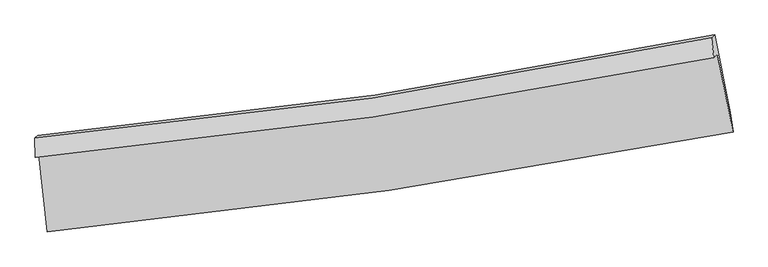
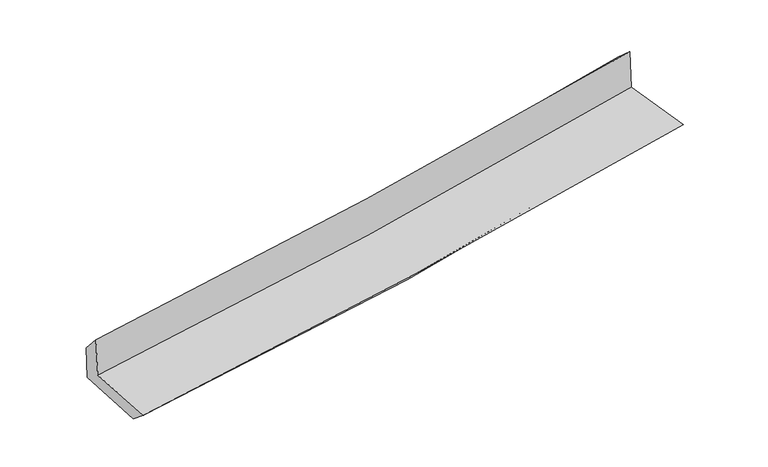
"""IFC4 building model written with IfcOpenShell, lengths in millimetres: proxy geometry."""

from ifc_helpers import new_model, si_unit, frame, origin, place, context, project, spatial, source, transform, mapped, element, save
from ifc_brep_helpers import plane_surface, spline_curve, spline_surface, advanced_brep


def generic_models_5466d7b5(model_context):
    return source(origin(), model_context, "Body", "AdvancedBrep", [
        advanced_brep(
        [(-2895.3435015, -1902.5218778, 1671.8093335), (-2823.5299897, -2559.9911874, 1628.255494), (2986.0057305, -1711.8754098, 2108.7416342), (2853.3386743, -1051.6601564, 2147.7549503), (-2926.5123599, -1927.4643501, 2067.5917479), (2822.4226032, -1081.3368122, 2546.8613271), (-2927.8071097, -1763.5809569, 1883.7277105), (2803.3631967, -911.9548816, 2394.0776069), (-2902.0554789, -1739.3540625, 1552.3372069), (2829.5251716, -887.3419392, 2057.4065004), (-2829.1120823, -2394.3461883, 1492.5255673), (2963.4053392, -1545.9221466, 2001.7327122)],
        [
            (0, 1),
            (1, 2, spline_curve(3, [(-2823.5299897, -2559.9911874, 1628.255494), (-1857.22319144, -2465.783317772, 1717.463923735), (-893.575286169, -2348.710333094, 1801.843189177), (1043.018111751, -2066.705859006, 1962.153243205), (2015.882113439, -1901.073584837, 2037.936024656), (2986.0057305, -1711.8754098, 2108.7416342)], [4, 2, 4], [0.0, 9.54537762239152, 19.23592783270383])),
            (2, 3),
            (3, 0, spline_curve(3, [(2853.3386743, -1051.6601564, 2147.7549503), (1895.174557721, -1247.771925277, 2077.374362474), (933.393138093, -1417.067204171, 2002.18659774), (-982.941822526, -1699.890329211, 1843.395106723), (-1937.387794714, -1814.21562434, 1759.93433233), (-2895.3435015, -1902.5218778, 1671.8093335)], [4, 2, 4], [0.0, 9.69055021031231, 19.23592783270383])),
            (4, 0),
            (3, 5),
            (5, 4, spline_curve(3, [(2822.4226032, -1081.3368122, 2546.8613271), (1863.484063385, -1275.514326648, 2481.532250101), (901.296969432, -1443.449284565, 2408.569985708), (-1015.111287899, -1724.711415759, 2248.586469311), (-1969.235848612, -1838.818970385, 2161.792207365), (-2926.5123599, -1927.4643501, 2067.5917479)], [4, 2, 4], [0.0, 9.6413711959937, 19.138306547040443])),
            (6, 4),
            (5, 7),
            (7, 6, spline_curve(3, [(2803.3631967, -911.9548816, 2394.0776069), (1849.13264993, -1109.266393995, 2310.980774911), (890.784604639, -1279.22167823, 2226.572411621), (-1019.727940353, -1562.283537834, 2056.416778059), (-1971.769997375, -1676.20361172, 1970.708509404), (-2927.8071097, -1763.5809569, 1883.7277105)], [4, 2, 4], [0.0, 9.629559623242391, 19.11486034882632])),
            (8, 6),
            (7, 9),
            (9, 8, spline_curve(3, [(2829.5251716, -887.3419392, 2057.4065004), (1875.52200849, -1084.439531308, 1971.383534846), (917.252083234, -1254.321321051, 1885.969863962), (-993.401681966, -1537.516038739, 1717.631551486), (-1945.658640477, -1651.638290418, 1634.688791502), (-2902.0554789, -1739.3540625, 1552.3372069)], [4, 2, 4], [0.0, 9.618039173835289, 19.091992036028195])),
            (10, 8),
            (9, 11),
            (11, 10, spline_curve(3, [(2963.4053392, -1545.9221466, 2001.7327122), (2000.423859442, -1755.429471359, 1913.824654999), (1032.543654288, -1931.165762688, 1827.125506209), (-898.441160801, -2212.969518621, 1657.425740658), (-1861.400096307, -2320.041241489, 1574.389174649), (-2829.1120823, -2394.3461883, 1492.5255673)], [4, 2, 4], [0.0, 9.667702209954266, 19.190574114238885])),
            (1, 10),
            (11, 2),
        ],
        [
            spline_surface(3, 3, [[(-2895.3435015, -1902.5218778, 1671.8093335), (-1937.387794853, -1814.215624183, 1759.934332286), (-982.941822525, -1699.890329183, 1843.395106648), (933.393138091, -1417.067204199, 2002.186597816), (1895.174557654, -1247.771925418, 2077.374362403), (2853.3386743, -1051.6601564, 2147.7549503)], [(-2871.40566421, -2121.678314348, 1657.291386983), (-1910.66626039, -2031.404855419, 1745.777529418), (-953.152977127, -1916.163663816, 1829.544467476), (969.934796025, -1633.613422485, 1988.842146305), (1935.41040957, -1465.539145167, 2064.228249793), (2897.561026344, -1271.731907527, 2134.750511578)], [(-2847.46782699, -2340.834750852, 1642.773440517), (-1883.944725998, -2248.594086609, 1731.620726602), (-923.364131717, -2132.436998429, 1815.693828288), (1006.47645397, -1850.159640752, 1975.497694778), (1975.646261554, -1683.306364934, 2051.08213725), (2941.783378456, -1491.803658673, 2121.746072922)], [(-2823.5299897, -2559.9911874, 1628.255494), (-1857.223191536, -2465.783317845, 1717.463923733), (-893.575286319, -2348.710333062, 1801.843189116), (1043.018111904, -2066.705859038, 1962.153243267), (2015.88211347, -1901.073584682, 2037.93602464), (2986.0057305, -1711.8754098, 2108.7416342)]], [4, 4], [4, 2, 4], [0.0, 2.1591327825394275], [0.0, 9.54537762239152, 19.23592783270383]),
            spline_surface(3, 3, [[(-2926.5123599, -1927.4643501, 2067.5917479), (-1969.235848563, -1838.818970451, 2161.792207321), (-1015.111287945, -1724.711415666, 2248.586469289), (901.296969479, -1443.44928466, 2408.56998573), (1863.48406326, -1275.51432679, 2481.53225018), (2822.4226032, -1081.3368122, 2546.8613271)], [(-2916.12274045, -1919.150192664, 1935.664276432), (-1958.619830677, -1830.617855026, 2027.839582308), (-1004.38813281, -1716.437720143, 2113.522681744), (911.995692345, -1434.655257812, 2273.108856427), (1874.047561413, -1266.266859643, 2346.812954255), (2832.727960255, -1071.444593577, 2413.825868167)], [(-2905.73312095, -1910.836035236, 1803.736804968), (-1948.00381274, -1822.416739608, 1893.886957299), (-993.66497766, -1708.164024706, 1978.458894193), (922.694415225, -1425.861231047, 2137.647727118), (1884.611059501, -1257.019392565, 2212.093658328), (2843.033317245, -1061.552375023, 2280.790409233)], [(-2895.3435015, -1902.5218778, 1671.8093335), (-1937.387794853, -1814.215624183, 1759.934332286), (-982.941822525, -1699.890329183, 1843.395106648), (933.393138091, -1417.067204199, 2002.186597816), (1895.174557654, -1247.771925418, 2077.374362403), (2853.3386743, -1051.6601564, 2147.7549503)]], [4, 4], [4, 2, 4], [0.0, 1.3381597872223625], [0.0, 9.496935351046742, 19.138306547040443]),
            spline_surface(3, 3, [[(-2927.8071097, -1763.5809569, 1883.7277105), (-1971.769997311, -1676.203611694, 1970.708509304), (-1019.727940481, -1562.28353768, 2056.416778096), (890.784604769, -1279.221678386, 2226.572411583), (1849.132650062, -1109.266393972, 2310.980774906), (2803.3631967, -911.9548816, 2394.0776069)], [(-2927.375526424, -1818.208754639, 1945.015722979), (-1970.925281052, -1730.408731286, 2034.403075322), (-1018.189056271, -1616.426163684, 2120.473341834), (894.288726371, -1333.964213819, 2287.238269639), (1853.916454448, -1164.682371598, 2367.831266658), (2809.716332187, -968.415525153, 2445.005513627)], [(-2926.943943176, -1872.836552361, 2006.303735421), (-1970.080564822, -1784.613850859, 2098.097641304), (-1016.650172155, -1670.568789662, 2184.529905551), (897.792847877, -1388.706749227, 2347.904127674), (1858.700258874, -1220.098349164, 2424.681758428), (2816.069467713, -1024.876168647, 2495.933420373)], [(-2926.5123599, -1927.4643501, 2067.5917479), (-1969.235848563, -1838.818970451, 2161.792207321), (-1015.111287945, -1724.711415666, 2248.586469289), (901.296969479, -1443.44928466, 2408.56998573), (1863.48406326, -1275.51432679, 2481.53225018), (2822.4226032, -1081.3368122, 2546.8613271)]], [4, 4], [4, 2, 4], [0.0, 0.8150065790173568], [0.0, 9.485300725583928, 19.11486034882632]),
            spline_surface(3, 3, [[(-2902.0554789, -1739.3540625, 1552.3372069), (-1945.658640399, -1651.638290318, 1634.688791416), (-993.401682012, -1537.516038792, 1717.631551509), (917.252083281, -1254.321320998, 1885.969863939), (1875.522008386, -1084.439531365, 1971.383535), (2829.5251716, -887.3419392, 2057.4065004)], [(-2910.639355828, -1747.429693979, 1662.800708113), (-1954.362426031, -1659.826730789, 1746.695364059), (-1002.177101518, -1545.771871744, 1830.559960351), (908.429590427, -1262.621440116, 1999.504046467), (1866.725555618, -1092.715152214, 2084.582614985), (2820.804513307, -895.546253313, 2169.630202582)], [(-2919.223232772, -1755.505325421, 1773.264209287), (-1963.066211679, -1668.015171224, 1858.701936662), (-1010.952520975, -1554.027704728, 1943.488369254), (899.607097623, -1270.921559267, 2113.038229055), (1857.92910283, -1100.990773123, 2197.781694922), (2812.083854993, -903.750567487, 2281.853904718)], [(-2927.8071097, -1763.5809569, 1883.7277105), (-1971.769997311, -1676.203611694, 1970.708509304), (-1019.727940481, -1562.28353768, 2056.416778096), (890.784604769, -1279.221678386, 2226.572411583), (1849.132650062, -1109.266393972, 2310.980774906), (2803.3631967, -911.9548816, 2394.0776069)]], [4, 4], [4, 2, 4], [0.0, 1.120850622897577], [0.0, 9.473952862192906, 19.091992036028195]),
            spline_surface(3, 3, [[(-2829.1120823, -2394.3461883, 1492.5255673), (-1861.400096154, -2320.041241354, 1574.389174701), (-898.441160827, -2212.969518675, 1657.425740746), (1032.543654315, -1931.165762634, 1827.125506119), (2000.423859507, -1755.429471415, 1913.824654996), (2963.4053392, -1545.9221466, 2001.7327122)], [(-2853.426547842, -2176.015479674, 1512.462780507), (-1889.486277578, -2097.24025765, 1594.489046947), (-930.094667894, -1987.818358745, 1677.494344334), (994.113130631, -1705.550948786, 1846.740292059), (1958.789909138, -1531.766158069, 1933.010948322), (2918.778616671, -1326.395410804, 2020.290641591)], [(-2877.741013358, -1957.684771126, 1532.399993693), (-1917.572458975, -1874.439274023, 1614.58891917), (-961.748174945, -1762.667198722, 1697.562947921), (955.682606964, -1479.936134846, 1866.355077999), (1917.155958755, -1308.102844711, 1952.197241674), (2874.151894129, -1106.868674996, 2038.848571009)], [(-2902.0554789, -1739.3540625, 1552.3372069), (-1945.658640399, -1651.638290318, 1634.688791416), (-993.401682012, -1537.516038792, 1717.631551509), (917.252083281, -1254.321320998, 1885.969863939), (1875.522008386, -1084.439531365, 1971.383535), (2829.5251716, -887.3419392, 2057.4065004)]], [4, 4], [4, 2, 4], [0.0, 2.253571330699711], [0.0, 9.522871904284619, 19.190574114238885]),
            spline_surface(3, 3, [[(-2823.5299897, -2559.9911874, 1628.255494), (-1857.223191536, -2465.783317845, 1717.463923733), (-893.575286319, -2348.710333062, 1801.843189116), (1043.018111904, -2066.705859038, 1962.153243267), (2015.88211347, -1901.073584682, 2037.93602464), (2986.0057305, -1711.8754098, 2108.7416342)], [(-2825.390687246, -2504.776187695, 1583.012185086), (-1858.615493088, -2417.202625676, 1669.772340709), (-895.197244489, -2303.463394926, 1753.704039665), (1039.52662604, -2021.525826897, 1917.143997556), (2010.729362151, -1852.525546952, 1996.565568112), (2978.472266736, -1656.557655425, 2073.071993554)], [(-2827.251384754, -2449.561188005, 1537.768876214), (-1860.007794602, -2368.621933523, 1622.080757726), (-896.819202657, -2258.21645681, 1705.564890198), (1036.035140179, -1976.345794775, 1872.13475183), (2005.576610825, -1803.977509146, 1955.195111523), (2970.938802964, -1601.239900975, 2037.402352846)], [(-2829.1120823, -2394.3461883, 1492.5255673), (-1861.400096154, -2320.041241354, 1574.389174701), (-898.441160827, -2212.969518675, 1657.425740746), (1032.543654315, -1931.165762634, 1827.125506119), (2000.423859507, -1755.429471415, 1913.824654996), (2963.4053392, -1545.9221466, 2001.7327122)]], [4, 4], [4, 2, 4], [0.0, 0.6392183468499718], [0.0, 9.582694149782913, 19.311128422587682]),
            plane_surface(frame((2876.3434526, -1198.3485576, 2209.4291219), z_axis=(0.9774429570158446, 0.19109856202676573, 0.08992555460726637), x_axis=(-0.07726927376569061, -0.07269421320594785, 0.9943565812615166))),
            plane_surface(frame((-2884.060087, -2047.8764372, 1716.0411767), z_axis=(-0.9911191934746584, -0.10265796589684995, -0.084522697330742), x_axis=(-0.10834669613402553, 0.991939060686155, 0.06571067890312739))),
        ],
        [
            (0, [[1, 2, 3, 4]]),
            (1, [[5, -4, 6, 7]]),
            (2, [[8, -7, 9, 10]]),
            (3, [[11, -10, 12, 13]]),
            (4, [[14, -13, 15, 16]]),
            (5, [[17, -16, 18, -2]]),
            (6, [[-12, -9, -6, -3, -18, -15]]),
            (7, [[-1, -5, -8, -11, -14, -17]]),
        ],
    ),
    ])


if __name__ == "__main__":
    model = new_model("IFC4")
    model_context = context("Model", 3, world=origin())
    ifc_project = project(units=[si_unit("LENGTHUNIT", "METRE", prefix="MILLI")], contexts=[model_context])
    site = spatial("IfcSite", under=ifc_project)
    building = spatial("IfcBuilding", under=site)
    placement = place(None, origin())
    generic_models_shape = generic_models_5466d7b5(model_context)
    element("IfcBuildingElementProxy", 1, Name="Generic Models", at=placement, inside=building, context=model_context, shape_type="MappedRepresentation", body=[
        mapped(generic_models_shape, transform((0.0, 0.0, 0.0), x_axis=(1.0, 0.0, 0.0), y_axis=(0.0, 1.0, 0.0), z_axis=(0.0, 0.0, 1.0))),
    ])
    save(model, "model.ifc")
